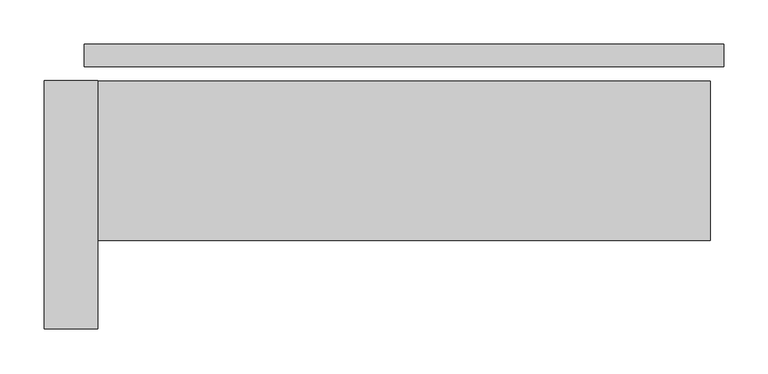
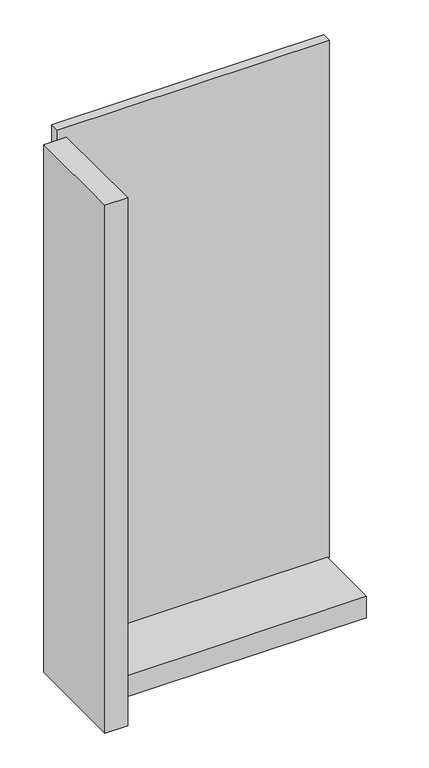
"""IFC4 building model written with IfcOpenShell, lengths in millimetres: plate geometry."""

import ifcopenshell
import ifcopenshell.guid

model = None  # the IFC model being written
_history = None  # IfcOwnerHistory: only IFC2X3 demands one
_inside = {}  # id of a spatial element -> (the spatial element, [elements in it])
_under = {}  # id of a project, library or spatial element -> (it, [spatial elements below it])
_declared = {}  # id of a project -> (the project, [libraries it declares])
_typed = {}  # id of a type object -> (the type object, [elements of that type])
_made_of = {}  # id of a material, layer set ... -> (it, [elements and type objects made of it])


def new_model(schema):
    """Start an empty IFC model of exactly this schema.

    Asked for "IFC4X3", IfcOpenShell would pick the latest addendum, in which some entities
    have other attributes; the version numbers below select the first issue.
    IFC2X3 requires an IfcOwnerHistory on every rooted entity: one is made here for all.
    """
    global model, _history
    if schema == "IFC4X3":
        model = ifcopenshell.file(schema_version=(4, 3, 0, 0))
    else:
        model = ifcopenshell.file(schema=schema)
    _inside.clear()
    _under.clear()
    _declared.clear()
    _typed.clear()
    _made_of.clear()
    _history = None
    if model.schema == "IFC2X3":
        org = make("IfcOrganization", Name="unknown")
        user = make(
            "IfcPersonAndOrganization",
            ThePerson=make("IfcPerson", FamilyName="unknown"),
            TheOrganization=org,
        )
        app = make(
            "IfcApplication",
            ApplicationDeveloper=org,
            Version="unknown",
            ApplicationFullName="unknown",
            ApplicationIdentifier="unknown",
        )
        _history = make(
            "IfcOwnerHistory",
            OwningUser=user,
            OwningApplication=app,
            ChangeAction="ADDED",
            CreationDate=0,
        )
    return model


def make(cls, **values):
    """One entity of the class cls with the attributes given. An attribute that is None is left unset."""
    return model.create_entity(
        cls, **{name: value for name, value in values.items() if value is not None}
    )


def rooted(cls, **values):
    """An entity with a GlobalId (a new one), such as an element, a storey or a relation."""
    return make(cls, GlobalId=ifcopenshell.guid.new(), OwnerHistory=_history, **values)


def si_unit(unit_type, name, prefix=None):
    """IfcSIUnit, for example si_unit("LENGTHUNIT", "METRE", prefix="MILLI")."""
    return make("IfcSIUnit", UnitType=unit_type, Prefix=prefix, Name=name)


def assignment(units):
    """IfcUnitAssignment: the units of a project."""
    return None if units is None else make("IfcUnitAssignment", Units=units)


def point(xyz):
    """IfcCartesianPoint."""
    return None if xyz is None else make("IfcCartesianPoint", Coordinates=xyz)


def direction(xyz):
    """IfcDirection."""
    return None if xyz is None else make("IfcDirection", DirectionRatios=xyz)


def frame(location, z_axis=None, x_axis=None):
    """IfcAxis2Placement3D, a coordinate frame: its origin and axes. An axis left out is left unset."""
    return make(
        "IfcAxis2Placement3D",
        Location=point(location),
        Axis=direction(z_axis),
        RefDirection=direction(x_axis),
    )


def origin():
    """The frame at (0, 0, 0) with its axes left unset."""
    return frame((0.0, 0.0, 0.0))


def origin_with_axes():
    """The frame at (0, 0, 0) with the z axis (0, 0, 1) and the x axis (1, 0, 0) written out."""
    return frame((0.0, 0.0, 0.0), z_axis=(0.0, 0.0, 1.0), x_axis=(1.0, 0.0, 0.0))


def place(relative_to, where):
    """IfcLocalPlacement: puts the frame where relative to a parent placement (None: the world)."""
    return make(
        "IfcLocalPlacement", PlacementRelTo=relative_to, RelativePlacement=where
    )


def context(
    kind, dimensions, precision=None, world=None, true_north=None, identifier=None
):
    """IfcGeometricRepresentationContext, for example the 3D "Model" context."""
    return make(
        "IfcGeometricRepresentationContext",
        ContextIdentifier=identifier,
        ContextType=kind,
        CoordinateSpaceDimension=dimensions,
        Precision=precision,
        WorldCoordinateSystem=world,
        TrueNorth=true_north,
    )


def project(units=None, contexts=None):
    """IfcProject with its units and contexts."""
    return rooted(
        "IfcProject",
        Name="project",
        RepresentationContexts=contexts,
        UnitsInContext=assignment(units),
    )


def spatial(cls, under=None, at=None, **own):
    """A site, building, storey or space (cls), placed at a placement, below another one or the project."""
    s = rooted(cls, ObjectPlacement=at, **own)
    if under is not None:
        _under.setdefault(under.id(), (under, []))[1].append(s)
    return s


def polyline(points):
    """IfcPolyline through the points."""
    return make("IfcPolyline", Points=[point(p) for p in points])


def outline(outer, holes=None, kind="AREA"):
    """IfcArbitraryClosedProfileDef: a profile drawn as a closed curve; with holes, ...WithVoids."""
    if holes is None:
        return make("IfcArbitraryClosedProfileDef", ProfileType=kind, OuterCurve=outer)
    return make(
        "IfcArbitraryProfileDefWithVoids",
        ProfileType=kind,
        OuterCurve=outer,
        InnerCurves=holes,
    )


def extrude(swept, where, along, depth):
    """IfcExtrudedAreaSolid: the profile swept, set in the frame where, extruded along a direction by depth."""
    return make(
        "IfcExtrudedAreaSolid",
        SweptArea=swept,
        Position=where,
        ExtrudedDirection=direction(along),
        Depth=depth,
    )


def shape(context_of_items, identifier, shape_type, items):
    """IfcShapeRepresentation: the items that make up one representation, for example the "Body"."""
    return make(
        "IfcShapeRepresentation",
        ContextOfItems=context_of_items,
        RepresentationIdentifier=identifier,
        RepresentationType=shape_type,
        Items=items,
    )


def source(mapping_origin, context_of_items, identifier, shape_type, items):
    """IfcRepresentationMap: a shape defined once, which mapped items show again and again."""
    return make(
        "IfcRepresentationMap",
        MappingOrigin=mapping_origin,
        MappedRepresentation=shape(context_of_items, identifier, shape_type, items),
    )


def transform(
    local_origin,
    x_axis=None,
    y_axis=None,
    z_axis=None,
    scale=None,
    scale2=None,
    scale3=None,
    uniform=True,
):
    """IfcCartesianTransformationOperator3D, or its non-uniform kind. x_axis, y_axis, z_axis: its Axis1, 2, 3."""
    if uniform:
        return make(
            "IfcCartesianTransformationOperator3D",
            Axis1=direction(x_axis),
            Axis2=direction(y_axis),
            LocalOrigin=point(local_origin),
            Scale=scale,
            Axis3=direction(z_axis),
        )
    return make(
        "IfcCartesianTransformationOperator3DnonUniform",
        Axis1=direction(x_axis),
        Axis2=direction(y_axis),
        LocalOrigin=point(local_origin),
        Scale=scale,
        Axis3=direction(z_axis),
        Scale2=scale2,
        Scale3=scale3,
    )


def mapped(mapping_source, mapping_target):
    """IfcMappedItem: shows the shape of a source again, moved by a transform."""
    return make(
        "IfcMappedItem", MappingSource=mapping_source, MappingTarget=mapping_target
    )


def made_of(thing, what):
    """Note that an element or type object is made of a material, layer set ...; save() writes the relation."""
    if what is not None:
        _made_of.setdefault(what.id(), (what, []))[1].append(thing)
    return thing


def element(
    cls,
    number,
    at=None,
    inside=None,
    cuts=None,
    type_object=None,
    material=None,
    context=None,
    identifier="Body",
    shape_type=None,
    held_by="IfcProductDefinitionShape",
    body=None,
    shapes=None,
    **own,
):
    """One element of the class cls, such as IfcWall. Its Tag is "e" and its number.

    at: its placement. inside: the storey or other place that contains it. cuts: it is an
    opening in that element (IfcRelVoidsElement). A single representation is given by context,
    identifier, shape_type and body (its items); several are given by shapes. held_by: the class
    of the entity that holds the representations. save() writes the other relations.
    """
    e = rooted(cls, Tag="e%d" % number, ObjectPlacement=at, **own)
    if body is not None:
        shapes = [shape(context, identifier, shape_type, body)]
    if shapes is not None:
        e.Representation = make(held_by, Representations=shapes)
    if inside is not None:
        _inside.setdefault(inside.id(), (inside, []))[1].append(e)
    if cuts is not None:
        rooted(
            "IfcRelVoidsElement", RelatingBuildingElement=cuts, RelatedOpeningElement=e
        )
    if type_object is not None:
        _typed.setdefault(type_object.id(), (type_object, []))[1].append(e)
    return made_of(e, material)


def aggregate(whole, parts):
    """IfcRelAggregates: a whole, such as a stair, and the parts it consists of."""
    return rooted("IfcRelAggregates", RelatingObject=whole, RelatedObjects=parts)


def save(model, path):
    """Write the relations noted so far, then the file.

    IfcRelAggregates (storeys below a building ...), IfcRelContainedInSpatialStructure (elements
    in a storey), IfcRelDefinesByType, IfcRelAssociatesMaterial and IfcRelDeclares: one each for
    every whole, place, type object, material and project.
    """
    for whole, parts in _under.values():
        aggregate(whole, parts)
    for where, things in _inside.values():
        rooted(
            "IfcRelContainedInSpatialStructure",
            RelatedElements=things,
            RelatingStructure=where,
        )
    for kind, things in _typed.values():
        rooted("IfcRelDefinesByType", RelatedObjects=things, RelatingType=kind)
    for what, things in _made_of.values():
        rooted("IfcRelAssociatesMaterial", RelatedObjects=things, RelatingMaterial=what)
    for by, libraries in _declared.values():
        rooted("IfcRelDeclares", RelatingContext=by, RelatedDefinitions=libraries)
    model.write(path)


def plate_2e21a8b7(model_context):
    return source(origin(), model_context, "Body", "SweptSolid", [
        extrude(outline(polyline([(360.0, 0.0), (360.0, -25.0), (-360.0, -25.0), (-360.0, 0.0), (360.0, 0.0)])), origin_with_axes(), (0.0, 0.0, 1.0), 1447.534293),
        extrude(outline(polyline([(-345.0, -41.0), (-345.0, -321.0), (-405.0, -321.0), (-405.0, -41.0), (-345.0, -41.0)])), frame((0.0, 0.0, -45.0), z_axis=(0.0, 0.0, 1.0), x_axis=(1.0, 0.0, 0.0)), (0.0, 0.0, 1.0), 1477.534293),
        extrude(outline(polyline([(345.0, -221.0), (-345.0, -221.0), (-345.0, -41.0), (345.0, -41.0), (345.0, -221.0)])), frame((0.0, 0.0, -45.0), z_axis=(0.0, 0.0, 1.0), x_axis=(1.0, 0.0, 0.0)), (0.0, 0.0, 1.0), 60.0),
    ])


if __name__ == "__main__":
    model = new_model("IFC4")
    model_context = context("Model", 3, world=origin())
    ifc_project = project(units=[si_unit("LENGTHUNIT", "METRE", prefix="MILLI")], contexts=[model_context])
    site = spatial("IfcSite", under=ifc_project)
    building = spatial("IfcBuilding", under=site)
    placement = place(None, origin())
    plate_shape = plate_2e21a8b7(model_context)
    element("IfcPlate", 1, at=placement, inside=building, context=model_context, shape_type="MappedRepresentation", body=[
        mapped(plate_shape, transform((0.0, 0.0, 0.0), x_axis=(1.0, 0.0, 0.0), y_axis=(0.0, 1.0, 0.0), z_axis=(0.0, 0.0, 1.0))),
    ])
    save(model, "model.ifc")
